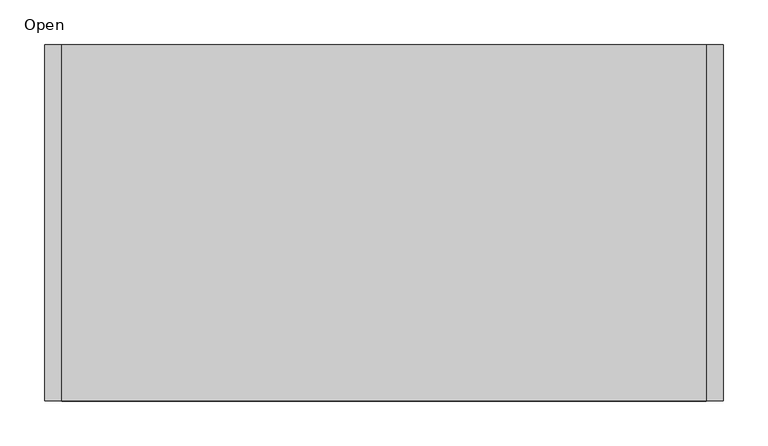
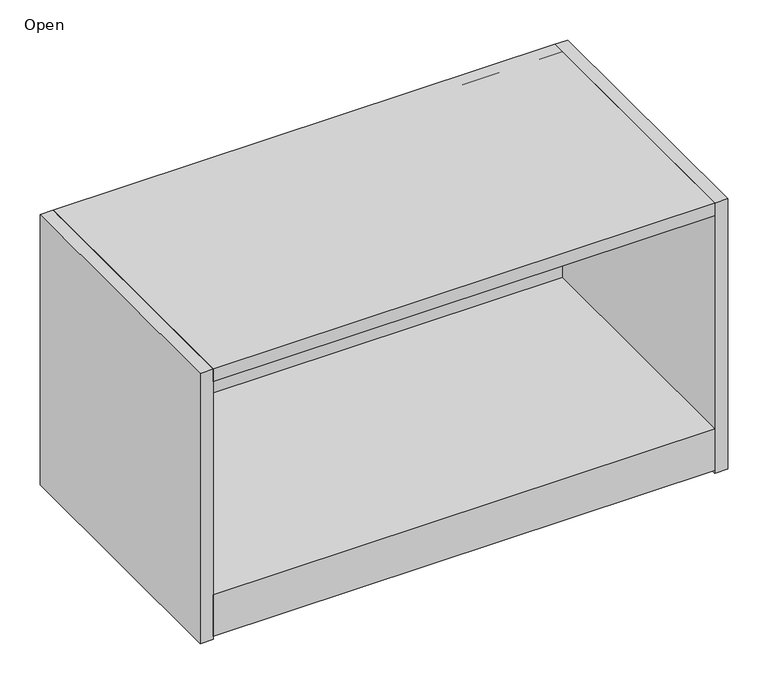
"""IFC4 building model written with IfcOpenShell, lengths in millimetres: furniture geometry, Open."""

from ifc_helpers import new_model, si_unit, frame, origin, place, context, project, spatial, polyline, outline, extrude, source, transform, mapped, element, save


def open_024cf0b1(model_context):
    return source(origin(), model_context, "Body", "SweptSolid", [
        extrude(outline(polyline([(527.05, -44.45), (527.05, -444.5), (-196.85, -444.5), (-196.85, -44.45), (527.05, -44.45)])), frame((0.0, 0.0, 1733.55), z_axis=(0.0, 0.0, 1.0), x_axis=(1.0, 0.0, 0.0)), (0.0, 0.0, 1.0), 19.05),
        extrude(outline(polyline([(-444.5, 1408.1125), (-63.5, 1408.1125), (-63.5, 1344.6125), (-107.95, 1344.6125), (-107.95, 1389.0625), (-368.3, 1389.0625), (-368.3, 1344.6125), (-444.5, 1344.6125), (-444.5, 1408.1125)])), frame((-196.85, 0.0, 0.0), z_axis=(1.0, 0.0, 0.0), x_axis=(0.0, 1.0, 0.0)), (0.0, 0.0, 1.0), 723.9),
        extrude(outline(polyline([(527.05, -44.45), (527.05, -63.5), (-196.85, -63.5), (-196.85, -44.45), (527.05, -44.45)])), frame((0.0, 0.0, 1344.6125), z_axis=(0.0, 0.0, 1.0), x_axis=(1.0, 0.0, 0.0)), (0.0, 0.0, 1.0), 407.9875),
        extrude(outline(polyline([(546.1, -44.45), (546.1, -444.5), (527.05, -444.5), (527.05, -44.45), (546.1, -44.45)])), frame((0.0, 0.0, 1339.85), z_axis=(0.0, 0.0, 1.0), x_axis=(1.0, 0.0, 0.0)), (0.0, 0.0, 1.0), 412.75),
        extrude(outline(polyline([(-196.85, -44.45), (-196.85, -444.5), (-215.9, -444.5), (-215.9, -44.45), (-196.85, -44.45)])), frame((0.0, 0.0, 1339.85), z_axis=(0.0, 0.0, 1.0), x_axis=(1.0, 0.0, 0.0)), (0.0, 0.0, 1.0), 412.75),
    ])


if __name__ == "__main__":
    model = new_model("IFC4")
    model_context = context("Model", 3, world=origin())
    ifc_project = project(units=[si_unit("LENGTHUNIT", "METRE", prefix="MILLI")], contexts=[model_context])
    site = spatial("IfcSite", under=ifc_project)
    building = spatial("IfcBuilding", under=site)
    placement = place(None, origin())
    ifc_open_shape = open_024cf0b1(model_context)
    element("IfcFurniture", 1, ObjectType="Open", at=placement, inside=building, context=model_context, shape_type="MappedRepresentation", body=[
        mapped(ifc_open_shape, transform((0.0, 0.0, 0.0), x_axis=(1.0, 0.0, 0.0), y_axis=(0.0, 1.0, 0.0), z_axis=(0.0, 0.0, 1.0))),
    ])
    save(model, "model.ifc")
